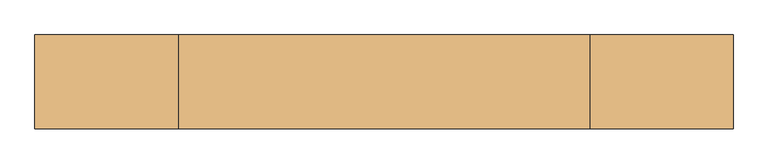
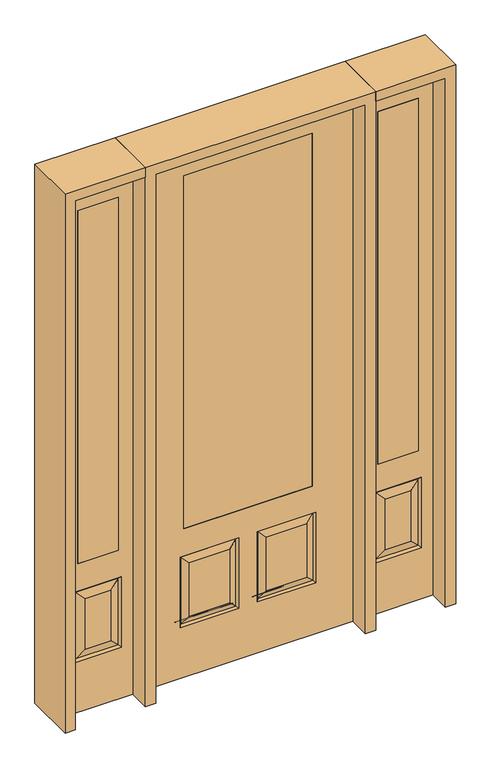
"""IFC4 building model written with IfcOpenShell, lengths in millimetres: door geometry."""

from ifc_helpers import new_model, si_unit, frame, origin, place, context, project, spatial, polyline, outline, extrude, faceted_brep, source, transform, mapped, element, save


def door_2b6b2992(model_context):
    return source(origin(), model_context, "Body", "SolidModel", [
        extrude(outline(polyline([(565.15, -20.6375), (565.15, 20.6375), (742.95, 20.6375), (742.95, -20.6375), (565.15, -20.6375)])), frame((0.0, 0.0, 685.8), z_axis=(0.0, 0.0, 1.0), x_axis=(1.0, 0.0, 0.0)), (0.0, 0.0, 1.0), 1625.6),
        faceted_brep([(806.45, -20.6375, 0.0), (806.45, -20.6375, 2438.4), (501.65, -20.6375, 2438.4), (501.65, -20.6375, 0.0), (552.45, -20.6375, 234.95), (552.45, -20.6375, 558.8), (755.65, -20.6375, 558.8), (755.65, -20.6375, 234.95), (565.15, -20.6375, 685.8), (565.15, -20.6375, 2311.4), (742.95, -20.6375, 2311.4), (742.95, -20.6375, 685.8), (709.6125, -20.6375, 280.9875), (709.6125, -20.6375, 512.7625), (598.4875, -20.6375, 512.7625), (598.4875, -20.6375, 280.9875), (501.65, 20.6375, 0.0), (806.45, 20.6375, 0.0), (501.65, 20.6375, 2438.4), (806.45, 20.6375, 2438.4), (561.4302561, -11.6572439, 243.9302561), (746.6697439, -11.6572439, 243.9302561), (746.6697439, -11.6572439, 549.8197439), (561.4302561, -11.6572439, 549.8197439), (755.65, 20.6375, 234.95), (755.65, 20.6375, 558.8), (552.45, 20.6375, 558.8), (552.45, 20.6375, 234.95), (742.95, 20.6375, 685.8), (742.95, 20.6375, 2311.4), (565.15, 20.6375, 2311.4), (565.15, 20.6375, 685.8), (598.4875, 20.6375, 280.9875), (598.4875, 20.6375, 512.7625), (709.6125, 20.6375, 512.7625), (709.6125, 20.6375, 280.9875), (561.4302561, 11.6572439, 243.9302561), (746.6697439, 11.6572439, 243.9302561), (561.4302561, 11.6572439, 549.8197439), (746.6697439, 11.6572439, 549.8197439)], [[[0, 1, 2, 3], [4, 5, 6, 7], [8, 9, 10, 11]], [[12, 13, 14, 15]], [[3, 16, 17, 0]], [[2, 18, 16, 3]], [[0, 17, 19, 1]], [[20, 4, 7, 21]], [[7, 6, 22, 21]], [[6, 5, 23, 22]], [[20, 23, 5, 4]], [[21, 12, 15, 20]], [[15, 14, 23, 20]], [[22, 23, 14, 13]], [[21, 22, 13, 12]], [[17, 16, 18, 19], [24, 25, 26, 27], [28, 29, 30, 31]], [[32, 33, 34, 35]], [[24, 27, 36, 37]], [[27, 26, 38, 36]], [[39, 38, 26, 25]], [[37, 39, 25, 24]], [[36, 32, 35, 37]], [[35, 34, 39, 37]], [[34, 33, 38, 39]], [[36, 38, 33, 32]], [[1, 19, 18, 2]], [[8, 11, 28, 31]], [[11, 10, 29, 28]], [[31, 30, 9, 8]], [[30, 29, 10, 9]]]),
        extrude(outline(polyline([(-565.15, -20.6375), (-742.95, -20.6375), (-742.95, 20.6375), (-565.15, 20.6375), (-565.15, -20.6375)])), frame((0.0, 0.0, 685.8), z_axis=(0.0, 0.0, 1.0), x_axis=(1.0, 0.0, 0.0)), (0.0, 0.0, 1.0), 1625.6),
        faceted_brep([(-806.45, -20.6375, 0.0), (-501.65, -20.6375, 0.0), (-501.65, -20.6375, 2438.4), (-806.45, -20.6375, 2438.4), (-552.45, -20.6375, 234.95), (-755.65, -20.6375, 234.95), (-755.65, -20.6375, 558.8), (-552.45, -20.6375, 558.8), (-565.15, -20.6375, 685.8), (-742.95, -20.6375, 685.8), (-742.95, -20.6375, 2311.4), (-565.15, -20.6375, 2311.4), (-709.6125, -20.6375, 280.9875), (-598.4875, -20.6375, 280.9875), (-598.4875, -20.6375, 512.7625), (-709.6125, -20.6375, 512.7625), (-806.45, 20.6375, 0.0), (-501.65, 20.6375, 0.0), (-501.65, 20.6375, 2438.4), (-806.45, 20.6375, 2438.4), (-561.4302561, -11.6572439, 243.9302561), (-746.6697439, -11.6572439, 243.9302561), (-746.6697439, -11.6572439, 549.8197439), (-561.4302561, -11.6572439, 549.8197439), (-755.65, 20.6375, 234.95), (-552.45, 20.6375, 234.95), (-552.45, 20.6375, 558.8), (-755.65, 20.6375, 558.8), (-742.95, 20.6375, 685.8), (-565.15, 20.6375, 685.8), (-565.15, 20.6375, 2311.4), (-742.95, 20.6375, 2311.4), (-598.4875, 20.6375, 280.9875), (-709.6125, 20.6375, 280.9875), (-709.6125, 20.6375, 512.7625), (-598.4875, 20.6375, 512.7625), (-746.6697439, 11.6572439, 243.9302561), (-561.4302561, 11.6572439, 243.9302561), (-561.4302561, 11.6572439, 549.8197439), (-746.6697439, 11.6572439, 549.8197439)], [[[0, 1, 2, 3], [4, 5, 6, 7], [8, 9, 10, 11]], [[12, 13, 14, 15]], [[1, 0, 16, 17]], [[2, 1, 17, 18]], [[0, 3, 19, 16]], [[20, 21, 5, 4]], [[5, 21, 22, 6]], [[6, 22, 23, 7]], [[20, 4, 7, 23]], [[21, 20, 13, 12]], [[13, 20, 23, 14]], [[22, 15, 14, 23]], [[21, 12, 15, 22]], [[16, 19, 18, 17], [24, 25, 26, 27], [28, 29, 30, 31]], [[32, 33, 34, 35]], [[24, 36, 37, 25]], [[25, 37, 38, 26]], [[39, 27, 26, 38]], [[36, 24, 27, 39]], [[37, 36, 33, 32]], [[33, 36, 39, 34]], [[34, 39, 38, 35]], [[37, 32, 35, 38]], [[3, 2, 18, 19]], [[8, 29, 28, 9]], [[9, 28, 31, 10]], [[29, 8, 11, 30]], [[30, 11, 10, 31]]]),
        faceted_brep([(279.4, 20.6375, 685.8), (279.4, -20.6375, 685.8), (279.4, -20.6375, 2311.4), (279.4, 20.6375, 2311.4), (-279.4, 20.6375, 685.8), (-279.4, -20.6375, 685.8), (-80.1727627, 20.6375, 273.8477627), (-256.3772373, 20.6375, 273.8477627), (-256.3772373, 20.6375, 520.4102373), (-80.1727627, 20.6375, 520.4102373), (256.3772373, 20.6375, 273.8477627), (80.1727627, 20.6375, 273.8477627), (80.1727627, 20.6375, 520.4102373), (256.3772373, 20.6375, 520.4102373), (-457.2, 20.6375, 2438.4), (457.2, 20.6375, 2438.4), (457.2, 20.6375, 0.0), (-457.2, 20.6375, 0.0), (-279.4, 20.6375, 2311.4), (-295.275, 20.6375, 234.95), (-41.275, 20.6375, 234.95), (-41.275, 20.6375, 559.308), (-295.275, 20.6375, 559.308), (41.275, 20.6375, 234.95), (295.275, 20.6375, 234.95), (295.275, 20.6375, 559.308), (41.275, 20.6375, 559.308), (-279.4, -20.6375, 2311.4), (80.1727627, -20.6375, 273.8477627), (256.3772373, -20.6375, 273.8477627), (256.3772373, -20.6375, 520.4102373), (80.1727627, -20.6375, 520.4102373), (-256.3772373, -20.6375, 273.8477627), (-80.1727627, -20.6375, 273.8477627), (-80.1727627, -20.6375, 520.4102373), (-256.3772373, -20.6375, 520.4102373), (457.2, -20.6375, 2438.4), (-457.2, -20.6375, 2438.4), (-457.2, -20.6375, 0.0), (457.2, -20.6375, 0.0), (295.275, -20.6375, 234.95), (41.275, -20.6375, 234.95), (41.275, -20.6375, 559.308), (295.275, -20.6375, 559.308), (-41.275, -20.6375, 234.95), (-295.275, -20.6375, 234.95), (-295.275, -20.6375, 559.308), (-41.275, -20.6375, 559.308), (-287.8714647, 11.4399763, 242.3535353), (-48.6785353, 11.4399763, 242.3535353), (-48.6785353, 11.4399763, 551.9044647), (-287.8714647, 11.4399763, 551.9044647), (48.6785353, 11.4399763, 242.3535353), (287.8714647, 11.4399763, 242.3535353), (287.8714647, 11.4399763, 551.9044647), (48.6785353, 11.4399763, 551.9044647), (287.8714647, -11.4399763, 242.3535353), (48.6785353, -11.4399763, 242.3535353), (48.6785353, -11.4399763, 551.9044647), (287.8714647, -11.4399763, 551.9044647), (-48.6785353, -11.4399763, 242.3535353), (-287.8714647, -11.4399763, 242.3535353), (-287.8714647, -11.4399763, 551.9044647), (-48.6785353, -11.4399763, 551.9044647)], [[[0, 1, 2, 3]], [[1, 0, 4, 5]], [[6, 7, 8, 9]], [[10, 11, 12, 13]], [[14, 15, 16, 17], [4, 0, 3, 18], [19, 20, 21, 22], [23, 24, 25, 26]], [[5, 4, 18, 27]], [[28, 29, 30, 31]], [[32, 33, 34, 35]], [[36, 37, 38, 39], [1, 5, 27, 2], [40, 41, 42, 43], [44, 45, 46, 47]], [[39, 38, 17, 16]], [[37, 14, 17, 38]], [[15, 36, 39, 16]], [[19, 48, 49, 20]], [[20, 49, 50, 21]], [[51, 22, 21, 50]], [[48, 19, 22, 51]], [[49, 48, 7, 6]], [[7, 48, 51, 8]], [[8, 51, 50, 9]], [[49, 6, 9, 50]], [[52, 53, 24, 23]], [[24, 53, 54, 25]], [[25, 54, 55, 26]], [[52, 23, 26, 55]], [[53, 52, 11, 10]], [[11, 52, 55, 12]], [[54, 13, 12, 55]], [[53, 10, 13, 54]], [[40, 56, 57, 41]], [[41, 57, 58, 42]], [[59, 43, 42, 58]], [[56, 40, 43, 59]], [[57, 56, 29, 28]], [[29, 56, 59, 30]], [[30, 59, 58, 31]], [[57, 28, 31, 58]], [[60, 61, 45, 44]], [[45, 61, 62, 46]], [[46, 62, 63, 47]], [[60, 44, 47, 63]], [[61, 60, 33, 32]], [[33, 60, 63, 34]], [[62, 35, 34, 63]], [[61, 32, 35, 62]], [[3, 2, 27, 18]], [[36, 15, 14, 37]]]),
        extrude(outline(polyline([(279.4, -20.6375), (-279.4, -20.6375), (-279.4, 20.6375), (279.4, 20.6375), (279.4, -20.6375)])), frame((0.0, 0.0, 685.8), z_axis=(0.0, 0.0, 1.0), x_axis=(1.0, 0.0, 0.0)), (0.0, 0.0, 1.0), 1625.6),
        extrude(outline(polyline([(2438.4, -501.65), (2482.85, -501.65), (2482.85, -850.9), (0.0, -850.9), (0.0, -806.45), (2438.4, -806.45), (2438.4, -501.65)])), frame((0.0, -114.3, 0.0), z_axis=(0.0, 1.0, 0.0), x_axis=(0.0, 0.0, 1.0)), (0.0, 0.0, 1.0), 228.6),
        extrude(outline(polyline([(2482.85, -501.65), (0.0, -501.65), (0.0, -457.2), (2438.4, -457.2), (2438.4, 457.2), (0.0, 457.2), (0.0, 501.65), (2482.85, 501.65), (2482.85, -501.65)])), frame((0.0, -114.3, 0.0), z_axis=(0.0, 1.0, 0.0), x_axis=(0.0, 0.0, 1.0)), (0.0, 0.0, 1.0), 228.6),
        extrude(outline(polyline([(0.0, 806.45), (0.0, 850.9), (2482.85, 850.9), (2482.85, 501.65), (2438.4, 501.65), (2438.4, 806.45), (0.0, 806.45)])), frame((0.0, -114.3, 0.0), z_axis=(0.0, 1.0, 0.0), x_axis=(0.0, 0.0, 1.0)), (0.0, 0.0, 1.0), 228.6),
    ])


if __name__ == "__main__":
    model = new_model("IFC4")
    model_context = context("Model", 3, world=origin())
    ifc_project = project(units=[si_unit("LENGTHUNIT", "METRE", prefix="MILLI")], contexts=[model_context])
    site = spatial("IfcSite", under=ifc_project)
    building = spatial("IfcBuilding", under=site)
    placement = place(None, origin())
    door_shape = door_2b6b2992(model_context)
    element("IfcDoor", 1, at=placement, inside=building, context=model_context, shape_type="MappedRepresentation", body=[
        mapped(door_shape, transform((0.0, 0.0, 0.0), x_axis=(1.0, 0.0, 0.0), y_axis=(0.0, 1.0, 0.0), z_axis=(0.0, 0.0, 1.0))),
    ])
    save(model, "model.ifc")
